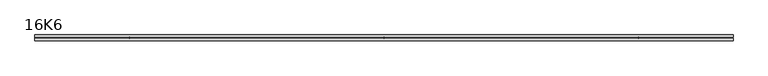
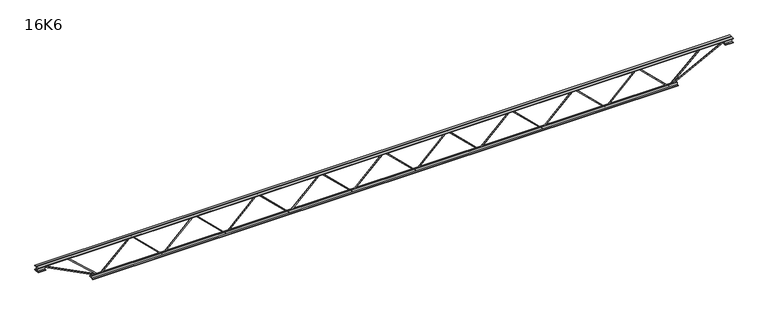
"""IFC4 building model written with IfcOpenShell, lengths in millimetres: beam geometry, 16K6."""

from ifc_helpers import new_model, si_unit, frame, origin, place, context, project, spatial, polyline, outline, extrude, source, transform, mapped, element, save


def beam_16k6_7c1a1b7b(model_context):
    return source(origin(), model_context, "Body", "SweptSolid", [
        extrude(outline(polyline([(-191.9, 2055.9305556), (-201.4, 2055.9305556), (-201.4, 2061.0332307), (191.9, 2465.7943418), (191.9, 2468.2889915), (-201.4, 2873.0501026), (-201.4, 2878.1527778), (-191.9, 2878.1527778), (-191.9, 2876.9054529), (201.4, 2472.1443418), (201.4, 2461.9389915), (-191.9, 2057.1778804), (-191.9, 2055.9305556)])), frame((0.0, -4.75, 0.0), z_axis=(0.0, 1.0, 0.0), x_axis=(0.0, 0.0, 1.0)), (0.0, 0.0, 1.0), 9.5),
        extrude(outline(polyline([(-191.9, 1233.5833333), (-201.4, 1233.5833333), (-201.4, 1238.6860085), (191.9, 1643.4471196), (191.9, 1645.9417693), (-201.4, 2050.7028804), (-201.4, 2055.8055556), (-191.9, 2055.8055556), (-191.9, 2054.5582307), (201.4, 1649.7971196), (201.4, 1639.5917693), (-191.9, 1234.8306582), (-191.9, 1233.5833333)])), frame((0.0, -4.75, 0.0), z_axis=(0.0, 1.0, 0.0), x_axis=(0.0, 0.0, 1.0)), (0.0, 0.0, 1.0), 9.5),
        extrude(outline(polyline([(-191.9, 411.2361111), (-201.4, 411.2361111), (-201.4, 416.3387863), (191.9, 821.0998974), (191.9, 823.5945471), (-201.4, 1228.3556582), (-201.4, 1233.4583333), (-191.9, 1233.4583333), (-191.9, 1232.2110085), (201.4, 827.4498974), (201.4, 817.2445471), (-191.9, 412.483436), (-191.9, 411.2361111)])), frame((0.0, -4.75, 0.0), z_axis=(0.0, 1.0, 0.0), x_axis=(0.0, 0.0, 1.0)), (0.0, 0.0, 1.0), 9.5),
        extrude(outline(polyline([(-191.9, -411.1111111), (-201.4, -411.1111111), (-201.4, -406.008436), (191.9, -1.2473248), (191.9, 1.2473248), (-201.4, 406.008436), (-201.4, 411.1111111), (-191.9, 411.1111111), (-191.9, 409.8637863), (201.4, 5.1026752), (201.4, -5.1026752), (-191.9, -409.8637863), (-191.9, -411.1111111)])), frame((0.0, -4.75, 0.0), z_axis=(0.0, 1.0, 0.0), x_axis=(0.0, 0.0, 1.0)), (0.0, 0.0, 1.0), 9.5),
        extrude(outline(polyline([(-191.9, -1233.4583333), (-201.4, -1233.4583333), (-201.4, -1228.3556582), (191.9, -823.5945471), (191.9, -821.0998974), (-201.4, -416.3387863), (-201.4, -411.2361111), (-191.9, -411.2361111), (-191.9, -412.483436), (201.4, -817.2445471), (201.4, -827.4498974), (-191.9, -1232.2110085), (-191.9, -1233.4583333)])), frame((0.0, -4.75, 0.0), z_axis=(0.0, 1.0, 0.0), x_axis=(0.0, 0.0, 1.0)), (0.0, 0.0, 1.0), 9.5),
        extrude(outline(polyline([(-191.9, -2055.8055556), (-201.4, -2055.8055556), (-201.4, -2050.7028804), (191.9, -1645.9417693), (191.9, -1643.4471196), (-201.4, -1238.6860085), (-201.4, -1233.5833333), (-191.9, -1233.5833333), (-191.9, -1234.8306582), (201.4, -1639.5917693), (201.4, -1649.7971196), (-191.9, -2054.5582307), (-191.9, -2055.8055556)])), frame((0.0, -4.75, 0.0), z_axis=(0.0, 1.0, 0.0), x_axis=(0.0, 0.0, 1.0)), (0.0, 0.0, 1.0), 9.5),
        extrude(outline(polyline([(-191.9, -2878.1527778), (-201.4, -2878.1527778), (-201.4, -2873.0501026), (191.9, -2468.2889915), (191.9, -2465.7943418), (-201.4, -2061.0332307), (-201.4, -2055.9305556), (-191.9, -2055.9305556), (-191.9, -2057.1778804), (201.4, -2461.9389915), (201.4, -2472.1443418), (-191.9, -2876.9054529), (-191.9, -2878.1527778)])), frame((0.0, -4.75, 0.0), z_axis=(0.0, 1.0, 0.0), x_axis=(0.0, 0.0, 1.0)), (0.0, 0.0, 1.0), 9.5),
        extrude(outline(polyline([(-191.9, 2878.2777778), (-201.4, 2878.2777778), (-201.4, 2883.3804529), (191.9, 3288.141564), (191.9, 3290.6362137), (-201.4, 3695.3973248), (-201.4, 3700.5), (-191.9, 3700.5), (-191.9, 3699.2526752), (201.4, 3294.491564), (201.4, 3284.2862137), (-191.9, 2879.5251026), (-191.9, 2878.2777778)])), frame((0.0, -4.75, 0.0), z_axis=(0.0, 1.0, 0.0), x_axis=(0.0, 0.0, 1.0)), (0.0, 0.0, 1.0), 9.5),
        extrude(outline(polyline([(-191.9, -3700.5), (-201.4, -3700.5), (-201.4, -3695.3973248), (191.9, -3290.6362137), (191.9, -3288.141564), (-201.4, -2883.3804529), (-201.4, -2878.2777778), (-191.9, -2878.2777778), (-191.9, -2879.5251026), (201.4, -3284.2862137), (201.4, -3294.491564), (-191.9, -3699.2526752), (-191.9, -3700.5)])), frame((0.0, -4.75, 0.0), z_axis=(0.0, 1.0, 0.0), x_axis=(0.0, 0.0, 1.0)), (0.0, 0.0, 1.0), 9.5),
        extrude(outline(polyline([(4.75, 203.0), (36.75, 203.0), (36.75, 196.5), (11.25, 196.5), (11.25, 171.0), (4.75, 171.0), (4.75, 203.0)])), frame((-4512.5, 0.0, 0.0), z_axis=(1.0, 0.0, 0.0), x_axis=(0.0, 1.0, 0.0)), (0.0, 0.0, 1.0), 9025.0),
        extrude(outline(polyline([(-4.75, 203.0), (-4.75, 171.0), (-11.25, 171.0), (-11.25, 196.5), (-36.75, 196.5), (-36.75, 203.0), (-4.75, 203.0)])), frame((-4512.5, 0.0, 0.0), z_axis=(1.0, 0.0, 0.0), x_axis=(0.0, 1.0, 0.0)), (0.0, 0.0, 1.0), 9025.0),
        extrude(outline(polyline([(-4.75, 139.5), (-36.75, 139.5), (-36.75, 146.0), (-11.25, 146.0), (-11.25, 171.0), (-4.75, 171.0), (-4.75, 139.5)])), frame((-4512.5, 0.0, 0.0), z_axis=(1.0, 0.0, 0.0), x_axis=(0.0, 1.0, 0.0)), (0.0, 0.0, 1.0), 100.0),
        extrude(outline(polyline([(36.75, 139.5), (4.75, 139.5), (4.75, 171.0), (11.25, 171.0), (11.25, 146.0), (36.75, 146.0), (36.75, 139.5)])), frame((-4512.5, 0.0, 0.0), z_axis=(1.0, 0.0, 0.0), x_axis=(0.0, 1.0, 0.0)), (0.0, 0.0, 1.0), 100.0),
        extrude(outline(polyline([(4.75, 139.5), (4.75, 171.0), (11.25, 171.0), (11.25, 146.0), (36.75, 146.0), (36.75, 139.5), (4.75, 139.5)])), frame((4412.5, 0.0, 0.0), z_axis=(1.0, 0.0, 0.0), x_axis=(0.0, 1.0, 0.0)), (0.0, 0.0, 1.0), 100.0),
        extrude(outline(polyline([(-4.75, 139.5), (-36.75, 139.5), (-36.75, 146.0), (-11.25, 146.0), (-11.25, 171.0), (-4.75, 171.0), (-4.75, 139.5)])), frame((4412.5, 0.0, 0.0), z_axis=(1.0, 0.0, 0.0), x_axis=(0.0, 1.0, 0.0)), (0.0, 0.0, 1.0), 100.0),
        extrude(outline(polyline([(4.75, -203.0), (4.75, -171.0), (11.25, -171.0), (11.25, -196.5), (36.75, -196.5), (36.75, -203.0), (4.75, -203.0)])), frame((-3800.5, 0.0, 0.0), z_axis=(1.0, 0.0, 0.0), x_axis=(0.0, 1.0, 0.0)), (0.0, 0.0, 1.0), 7601.0),
        extrude(outline(polyline([(-4.75, -203.0), (-36.75, -203.0), (-36.75, -196.5), (-11.25, -196.5), (-11.25, -171.0), (-4.75, -171.0), (-4.75, -203.0)])), frame((-3800.5, 0.0, 0.0), z_axis=(1.0, 0.0, 0.0), x_axis=(0.0, 1.0, 0.0)), (0.0, 0.0, 1.0), 7601.0),
        extrude(outline(polyline([(-200.8705467, -3702.6793315), (-192.4294533, -3698.3206685), (175.75, -4411.3460208), (175.75, -4512.5), (166.25, -4512.5), (166.25, -4413.6539792), (-200.8705467, -3702.6793315)])), frame((0.0, -4.75, 0.0), z_axis=(0.0, 1.0, 0.0), x_axis=(0.0, 0.0, 1.0)), (0.0, 0.0, 1.0), 9.5),
        extrude(outline(polyline([(188.7, -4131.568254), (179.2, -4131.568254), (179.2, -4120.7055839), (-200.1636065, -3703.6964151), (-193.1363935, -3697.3035849), (188.7, -4117.030924), (188.7, -4131.568254)])), frame((0.0, -4.75, 0.0), z_axis=(0.0, 1.0, 0.0), x_axis=(0.0, 0.0, 1.0)), (0.0, 0.0, 1.0), 9.5),
        extrude(outline(polyline([(0.0, -9.5), (0.0, 0.0), (801.3179909, 0.0), (801.3179909, -9.5), (0.0, -9.5)])), frame((4414.6793315, -4.75, 166.7794533), z_axis=(-0.45880662132449607, 0.0, 0.8885361468329809), x_axis=(-0.8885361468329809, 0.0, -0.45880662132449607)), (0.0, 0.0, 1.0), 9.5),
        extrude(outline(polyline([(0.0, -9.5), (0.0, 0.0), (579.5186524, 0.0), (579.5186524, -9.5), (0.0, -9.5)])), frame((4129.3490636, -4.75, 193.1613795), z_axis=(-0.678666680364148, 0.0, 0.7344464153112242), x_axis=(-0.7344464153112242, 0.0, -0.678666680364148)), (0.0, 0.0, 1.0), 9.5),
    ])


if __name__ == "__main__":
    model = new_model("IFC4")
    model_context = context("Model", 3, world=origin())
    ifc_project = project(units=[si_unit("LENGTHUNIT", "METRE", prefix="MILLI")], contexts=[model_context])
    site = spatial("IfcSite", under=ifc_project)
    building = spatial("IfcBuilding", under=site)
    placement = place(None, origin())
    beam_16k6_shape = beam_16k6_7c1a1b7b(model_context)
    element("IfcBeam", 1, ObjectType="16K6", at=placement, inside=building, context=model_context, shape_type="MappedRepresentation", body=[
        mapped(beam_16k6_shape, transform((0.0, 0.0, 0.0), x_axis=(1.0, 0.0, 0.0), y_axis=(0.0, 1.0, 0.0), z_axis=(0.0, 0.0, 1.0))),
    ])
    save(model, "model.ifc")
